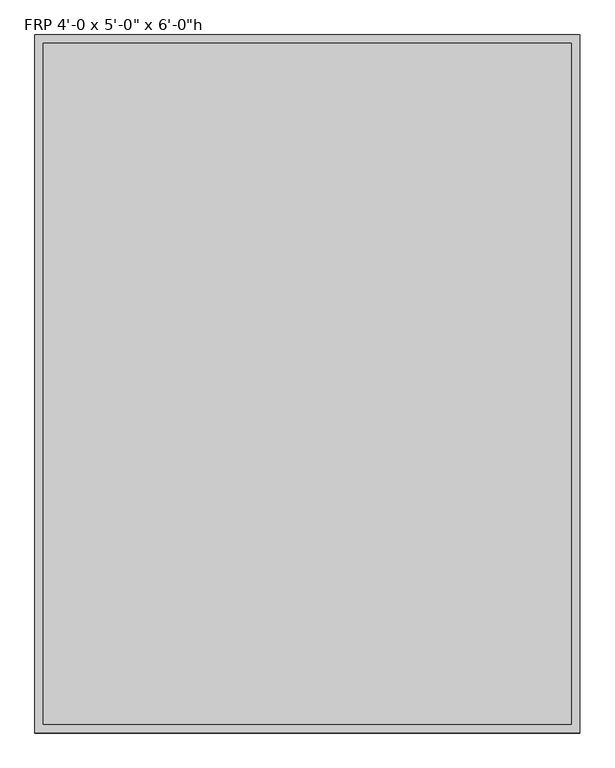
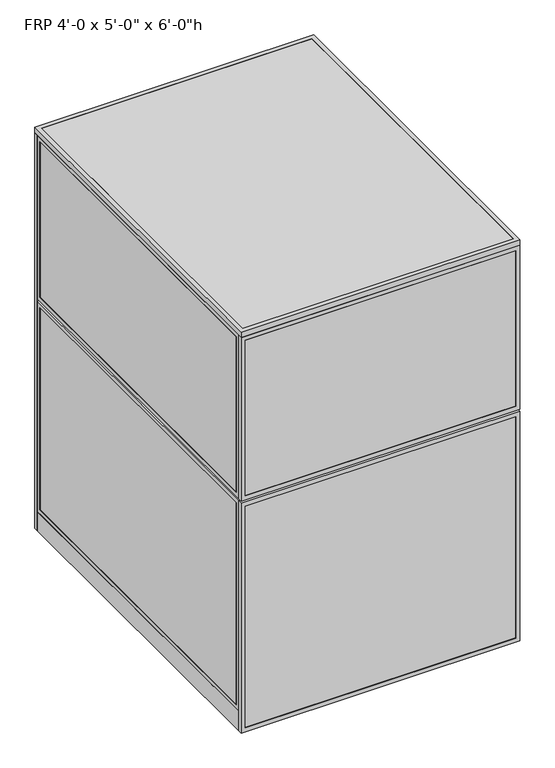
"""IFC4 building model written with IfcOpenShell, lengths in millimetres: proxy geometry."""

from ifc_helpers import new_model, si_unit, frame, origin, origin_with_axes, place, context, project, spatial, polyline, outline, extrude, source, transform, mapped, element, save


def proxy_20dcdc43(model_context):
    return source(origin(), model_context, "Body", "SweptSolid", [
        extrude(outline(polyline([(60.3189838, 1541.4625), (854.0810162, 1541.4625), (854.0810162, 1525.5875), (60.3189838, 1525.5875), (60.3189838, 1541.4625)])), frame((0.0, 0.0, 60.325), z_axis=(0.0, 0.0, 1.0), x_axis=(1.0, 0.0, 0.0)), (0.0, 0.0, 1.0), 1708.15),
        extrude(outline(polyline([(41.275, 41.2689838), (41.275, 873.1310162), (1787.525, 873.1310162), (1787.525, 41.2689838), (41.275, 41.2689838)]), holes=[polyline([(1768.475, 854.0810162), (60.325, 854.0810162), (60.325, 60.3189838), (1768.475, 60.3189838), (1768.475, 854.0810162)])]), frame((0.0, 1524.0, 0.0), z_axis=(0.0, 1.0, 0.0), x_axis=(0.0, 0.0, 1.0)), (0.0, 0.0, 1.0), 19.05),
        extrude(outline(polyline([(0.0, 0.0), (0.0, 914.4), (1828.8, 914.4), (1828.8, 0.0), (0.0, 0.0)]), holes=[polyline([(1809.75, 19.05), (1809.75, 895.35), (19.05, 895.35), (19.05, 19.05), (1809.75, 19.05)])]), frame((0.0, 1524.0, 0.0), z_axis=(0.0, 1.0, 0.0), x_axis=(0.0, 0.0, 1.0)), (0.0, 0.0, 1.0), 19.05),
        extrude(outline(polyline([(0.0, 1219.2), (1828.8, 1219.2), (1828.8, 914.4), (0.0, 914.4), (0.0, 1219.2)]), holes=[polyline([(19.05, 1200.15), (19.05, 933.45), (1809.75, 933.45), (1809.75, 1200.15), (19.05, 1200.15)])]), frame((0.0, 1524.0, 0.0), z_axis=(0.0, 1.0, 0.0), x_axis=(0.0, 0.0, 1.0)), (0.0, 0.0, 1.0), 19.05),
        extrude(outline(polyline([(933.45, 1541.4625), (1200.15, 1541.4625), (1200.15, 1525.5875), (933.45, 1525.5875), (933.45, 1541.4625)])), frame((0.0, 0.0, 19.05), z_axis=(0.0, 0.0, 1.0), x_axis=(1.0, 0.0, 0.0)), (0.0, 0.0, 1.0), 1790.7),
        extrude(outline(polyline([(1062.0375, 1219.2), (1062.0375, 0.0), (0.0, 0.0), (0.0, 1219.2), (1062.0375, 1219.2)]), holes=[polyline([(19.05, 1200.15), (19.05, 19.05), (1042.9875, 19.05), (1042.9875, 1200.15), (19.05, 1200.15)])]), frame((0.0, -19.05, 0.0), z_axis=(0.0, 1.0, 0.0), x_axis=(0.0, 0.0, 1.0)), (0.0, 0.0, 1.0), 19.05),
        extrude(outline(polyline([(1071.5625, 1219.2), (1828.8, 1219.2), (1828.8, 0.0), (1071.5625, 0.0), (1071.5625, 1219.2)]), holes=[polyline([(1809.75, 1200.15), (1090.6125, 1200.15), (1090.6125, 19.05), (1809.75, 19.05), (1809.75, 1200.15)])]), frame((0.0, -19.05, 0.0), z_axis=(0.0, 1.0, 0.0), x_axis=(0.0, 0.0, 1.0)), (0.0, 0.0, 1.0), 19.05),
        extrude(outline(polyline([(1200.15, -17.4625), (19.05, -17.4625), (19.05, -1.5875), (1200.15, -1.5875), (1200.15, -17.4625)])), frame((0.0, 0.0, 19.05), z_axis=(0.0, 0.0, 1.0), x_axis=(1.0, 0.0, 0.0)), (0.0, 0.0, 1.0), 1023.9375),
        extrude(outline(polyline([(1200.15, -17.4625), (19.05, -17.4625), (19.05, -1.5875), (1200.15, -1.5875), (1200.15, -17.4625)])), frame((0.0, 0.0, 1090.6125), z_axis=(0.0, 0.0, 1.0), x_axis=(1.0, 0.0, 0.0)), (0.0, 0.0, 1.0), 719.1375),
        extrude(outline(polyline([(1200.15, 0.0), (1200.15, 1524.0), (1219.2, 1524.0), (1219.2, 0.0), (1200.15, 0.0)])), origin_with_axes(), (0.0, 0.0, 1.0), 88.9),
        extrude(outline(polyline([(1524.0, 88.9), (0.0, 88.9), (0.0, 1062.0375), (1524.0, 1062.0375), (1524.0, 88.9)]), holes=[polyline([(1504.95, 1042.9875), (19.05, 1042.9875), (19.05, 107.95), (1504.95, 107.95), (1504.95, 1042.9875)])]), frame((1200.15, 0.0, 0.0), z_axis=(1.0, 0.0, 0.0), x_axis=(0.0, 1.0, 0.0)), (0.0, 0.0, 1.0), 19.05),
        extrude(outline(polyline([(0.0, 1071.5625), (0.0, 1828.8), (1524.0, 1828.8), (1524.0, 1071.5625), (0.0, 1071.5625)]), holes=[polyline([(19.05, 1809.75), (19.05, 1090.6125), (1504.95, 1090.6125), (1504.95, 1809.75), (19.05, 1809.75)])]), frame((1200.15, 0.0, 0.0), z_axis=(1.0, 0.0, 0.0), x_axis=(0.0, 1.0, 0.0)), (0.0, 0.0, 1.0), 19.05),
        extrude(outline(polyline([(1201.7375, 19.05), (1201.7375, 1504.95), (1217.6125, 1504.95), (1217.6125, 19.05), (1201.7375, 19.05)])), frame((0.0, 0.0, 107.95), z_axis=(0.0, 0.0, 1.0), x_axis=(1.0, 0.0, 0.0)), (0.0, 0.0, 1.0), 935.0375),
        extrude(outline(polyline([(1201.7375, 19.05), (1201.7375, 1504.95), (1217.6125, 1504.95), (1217.6125, 19.05), (1201.7375, 19.05)])), frame((0.0, 0.0, 1090.6125), z_axis=(0.0, 0.0, 1.0), x_axis=(1.0, 0.0, 0.0)), (0.0, 0.0, 1.0), 719.1375),
        extrude(outline(polyline([(0.0, 0.0), (0.0, 1524.0), (19.05, 1524.0), (19.05, 0.0), (0.0, 0.0)])), origin_with_axes(), (0.0, 0.0, 1.0), 88.9),
        extrude(outline(polyline([(1524.0, 88.9), (0.0, 88.9), (0.0, 1062.0375), (1524.0, 1062.0375), (1524.0, 88.9)]), holes=[polyline([(1504.95, 1042.9875), (19.05, 1042.9875), (19.05, 107.95), (1504.95, 107.95), (1504.95, 1042.9875)])]), frame((0.0, 0.0, 0.0), z_axis=(1.0, 0.0, 0.0), x_axis=(0.0, 1.0, 0.0)), (0.0, 0.0, 1.0), 19.05),
        extrude(outline(polyline([(0.0, 1071.5625), (0.0, 1828.8), (1524.0, 1828.8), (1524.0, 1071.5625), (0.0, 1071.5625)]), holes=[polyline([(19.05, 1809.75), (19.05, 1090.6125), (1504.95, 1090.6125), (1504.95, 1809.75), (19.05, 1809.75)])]), frame((0.0, 0.0, 0.0), z_axis=(1.0, 0.0, 0.0), x_axis=(0.0, 1.0, 0.0)), (0.0, 0.0, 1.0), 19.05),
        extrude(outline(polyline([(1.5875, 19.05), (1.5875, 1504.95), (17.4625, 1504.95), (17.4625, 19.05), (1.5875, 19.05)])), frame((0.0, 0.0, 107.95), z_axis=(0.0, 0.0, 1.0), x_axis=(1.0, 0.0, 0.0)), (0.0, 0.0, 1.0), 935.0375),
        extrude(outline(polyline([(1.5875, 19.05), (1.5875, 1504.95), (17.4625, 1504.95), (17.4625, 19.05), (1.5875, 19.05)])), frame((0.0, 0.0, 1090.6125), z_axis=(0.0, 0.0, 1.0), x_axis=(1.0, 0.0, 0.0)), (0.0, 0.0, 1.0), 719.1375),
        extrude(outline(polyline([(1187.45, 622.3), (1187.45, 609.6), (31.75, 609.6), (31.75, 622.3), (1187.45, 622.3)])), origin_with_axes(), (0.0, 0.0, 1.0), 152.4),
        extrude(outline(polyline([(1187.45, 622.3), (1187.45, 12.7), (31.75, 12.7), (31.75, 622.3), (1187.45, 622.3)])), frame((0.0, 0.0, 152.4), z_axis=(0.0, 0.0, 1.0), x_axis=(1.0, 0.0, 0.0)), (0.0, 0.0, 1.0), 12.7),
        extrude(outline(polyline([(1219.2, 1543.05), (1219.2, -19.05), (0.0, -19.05), (0.0, 1543.05), (1219.2, 1543.05)]), holes=[polyline([(1200.15, 1524.0), (19.05, 1524.0), (19.05, 0.0), (1200.15, 0.0), (1200.15, 1524.0)])]), frame((0.0, 0.0, 1828.8), z_axis=(0.0, 0.0, 1.0), x_axis=(1.0, 0.0, 0.0)), (0.0, 0.0, 1.0), 25.4),
        extrude(outline(polyline([(19.05, 1524.0), (1200.15, 1524.0), (1200.15, 0.0), (19.05, 0.0), (19.05, 1524.0)])), frame((0.0, 0.0, 1828.8), z_axis=(0.0, 0.0, 1.0), x_axis=(1.0, 0.0, 0.0)), (0.0, 0.0, 1.0), 25.4),
    ])


if __name__ == "__main__":
    model = new_model("IFC4")
    model_context = context("Model", 3, world=origin())
    ifc_project = project(units=[si_unit("LENGTHUNIT", "METRE", prefix="MILLI")], contexts=[model_context])
    site = spatial("IfcSite", under=ifc_project)
    building = spatial("IfcBuilding", under=site)
    placement = place(None, origin())
    proxy_shape = proxy_20dcdc43(model_context)
    element("IfcBuildingElementProxy", 1, Name="FRP 4'-0 x 5'-0\" x 6'-0\"h", ObjectType="FRP 4'-0 x 5'-0\" x 6'-0\"h", at=placement, inside=building, context=model_context, shape_type="MappedRepresentation", body=[
        mapped(proxy_shape, transform((0.0, 0.0, 0.0), x_axis=(1.0, 0.0, 0.0), y_axis=(0.0, 1.0, 0.0), z_axis=(0.0, 0.0, 1.0))),
    ])
    save(model, "model.ifc")
